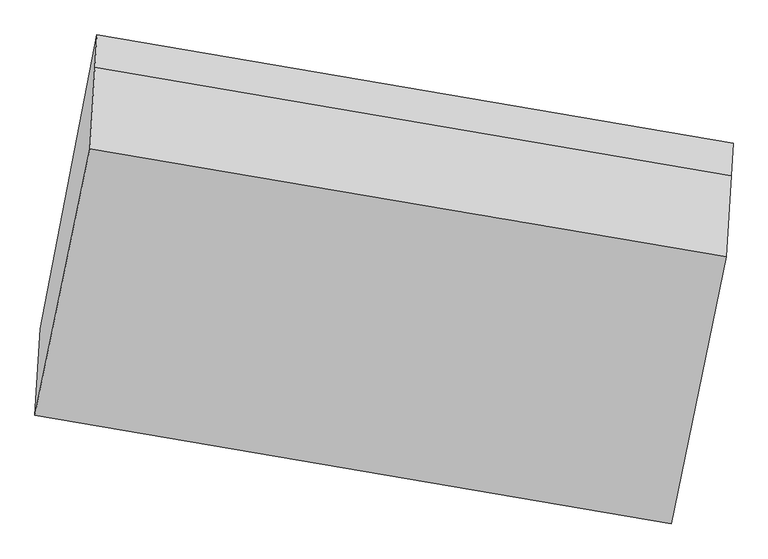
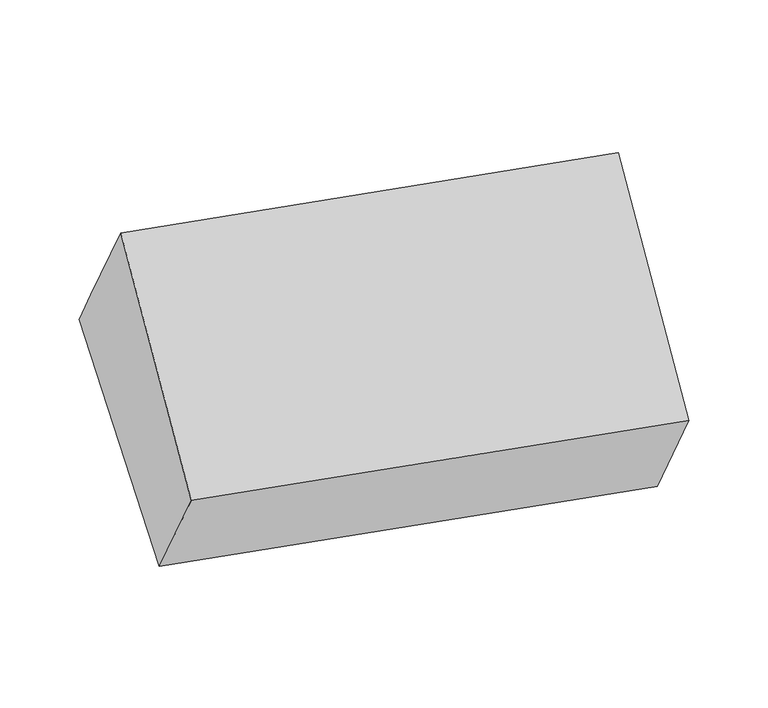
"""IFC4 building model written with IfcOpenShell, lengths in millimetres: proxy geometry."""

from ifc_helpers import new_model, si_unit, origin, place, context, project, spatial, faceted_brep, source, transform, mapped, element, save


def generic_models_89d5986b(model_context):
    return source(origin(), model_context, "Body", "Brep", [
        faceted_brep([(-3801.005276, -1806.1339498, 2017.886949), (-3786.5535828, -1569.4463835, 1601.1918164), (-2046.1917871, -1866.0291872, 1497.979322), (-2060.6434804, -2102.7167535, 1914.6744546), (-3631.4534266, -765.620693, 2063.153071), (-1891.091631, -1062.2034967, 1959.9405767), (-3636.8791183, -854.4818203, 2219.5955906), (-1896.5173226, -1151.064624, 2116.3830962), (-3650.4349385, -1076.4969186, 2610.4594297), (-1910.0731429, -1373.0797223, 2507.2469353)], [[[0, 1, 2, 3]], [[1, 4, 5]], [[4, 6, 7, 5]], [[6, 8, 9, 7]], [[8, 0, 3, 9]], [[7, 9, 3, 2, 5]], [[0, 8, 6, 4, 1]], [[5, 2, 1]]]),
    ])


if __name__ == "__main__":
    model = new_model("IFC4")
    model_context = context("Model", 3, world=origin())
    ifc_project = project(units=[si_unit("LENGTHUNIT", "METRE", prefix="MILLI")], contexts=[model_context])
    site = spatial("IfcSite", under=ifc_project)
    building = spatial("IfcBuilding", under=site)
    placement = place(None, origin())
    generic_models_shape = generic_models_89d5986b(model_context)
    element("IfcBuildingElementProxy", 1, Name="Generic Models", at=placement, inside=building, context=model_context, shape_type="MappedRepresentation", body=[
        mapped(generic_models_shape, transform((0.0, 0.0, 0.0), x_axis=(1.0, 0.0, 0.0), y_axis=(0.0, 1.0, 0.0), z_axis=(0.0, 0.0, 1.0))),
    ])
    save(model, "model.ifc")
